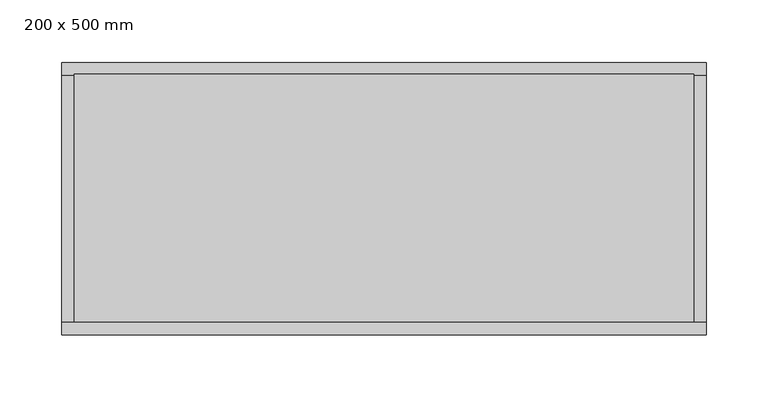
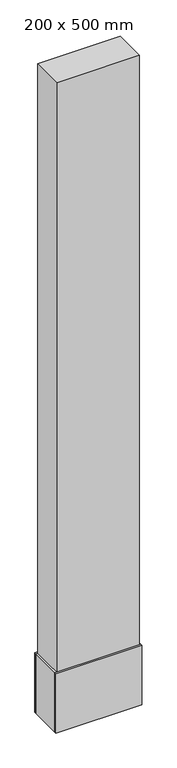
"""IFC4 building model written with IfcOpenShell, lengths in millimetres: column geometry, 200 x 500 mm."""

from ifc_helpers import new_model, si_unit, frame, origin, place, context, project, spatial, polyline, outline, extrude, source, transform, mapped, element, save


def column_200_x_500_mm_819fe174(model_context):
    return source(origin(), model_context, "Body", "SweptSolid", [
        extrude(outline(polyline([(250.0, 100.0), (250.0, -100.0), (-250.0, -100.0), (-250.0, 100.0), (250.0, 100.0)])), frame((0.0, 0.0, -650.0), z_axis=(0.0, 0.0, 1.0), x_axis=(1.0, 0.0, 0.0)), (0.0, 0.0, 1.0), 4150.0),
        extrude(outline(polyline([(260.0, -110.0), (-260.0, -110.0), (-260.0, -100.0), (260.0, -100.0), (260.0, -110.0)])), frame((0.0, 0.0, -650.0), z_axis=(0.0, 0.0, 1.0), x_axis=(1.0, 0.0, 0.0)), (0.0, 0.0, 1.0), 380.9303136),
        extrude(outline(polyline([(260.0, 100.0), (-260.0, 100.0), (-260.0, 110.0), (260.0, 110.0), (260.0, 100.0)])), frame((0.0, 0.0, -650.0), z_axis=(0.0, 0.0, 1.0), x_axis=(1.0, 0.0, 0.0)), (0.0, 0.0, 1.0), 380.9303136),
        extrude(outline(polyline([(-250.0, 100.0), (-250.0, -100.0), (-260.0, -100.0), (-260.0, 100.0), (-250.0, 100.0)])), frame((0.0, 0.0, -650.0), z_axis=(0.0, 0.0, 1.0), x_axis=(1.0, 0.0, 0.0)), (0.0, 0.0, 1.0), 380.9303136),
        extrude(outline(polyline([(260.0, 100.0), (260.0, -100.0), (250.0, -100.0), (250.0, 100.0), (260.0, 100.0)])), frame((0.0, 0.0, -650.0), z_axis=(0.0, 0.0, 1.0), x_axis=(1.0, 0.0, 0.0)), (0.0, 0.0, 1.0), 380.9303136),
    ])


if __name__ == "__main__":
    model = new_model("IFC4")
    model_context = context("Model", 3, world=origin())
    ifc_project = project(units=[si_unit("LENGTHUNIT", "METRE", prefix="MILLI")], contexts=[model_context])
    site = spatial("IfcSite", under=ifc_project)
    building = spatial("IfcBuilding", under=site)
    placement = place(None, origin())
    column_200_x_500_mm_shape = column_200_x_500_mm_819fe174(model_context)
    element("IfcColumn", 1, ObjectType="200 x 500 mm", at=placement, inside=building, context=model_context, shape_type="MappedRepresentation", body=[
        mapped(column_200_x_500_mm_shape, transform((0.0, 0.0, 0.0), x_axis=(1.0, 0.0, 0.0), y_axis=(0.0, 1.0, 0.0), z_axis=(0.0, 0.0, 1.0))),
    ])
    save(model, "model.ifc")
